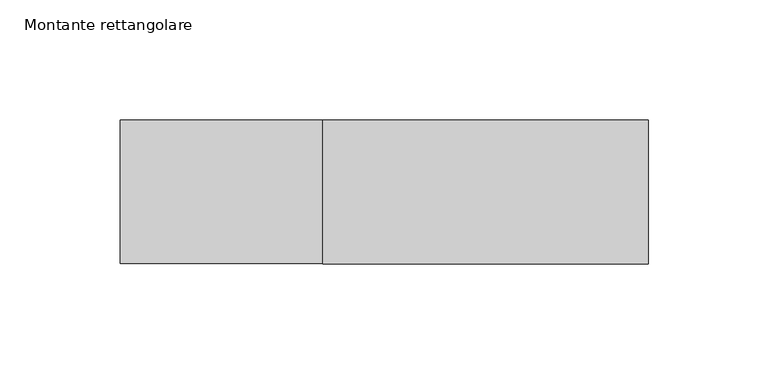
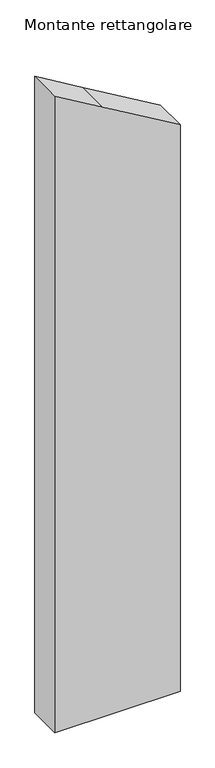
"""IFC4 building model written with IfcOpenShell, lengths in millimetres: member geometry, Montante rettangolare."""

import ifcopenshell
import ifcopenshell.guid

model = None  # the IFC model being written
_history = None  # IfcOwnerHistory: only IFC2X3 demands one
_inside = {}  # id of a spatial element -> (the spatial element, [elements in it])
_under = {}  # id of a project, library or spatial element -> (it, [spatial elements below it])
_declared = {}  # id of a project -> (the project, [libraries it declares])
_typed = {}  # id of a type object -> (the type object, [elements of that type])
_made_of = {}  # id of a material, layer set ... -> (it, [elements and type objects made of it])


def new_model(schema):
    """Start an empty IFC model of exactly this schema.

    Asked for "IFC4X3", IfcOpenShell would pick the latest addendum, in which some entities
    have other attributes; the version numbers below select the first issue.
    IFC2X3 requires an IfcOwnerHistory on every rooted entity: one is made here for all.
    """
    global model, _history
    if schema == "IFC4X3":
        model = ifcopenshell.file(schema_version=(4, 3, 0, 0))
    else:
        model = ifcopenshell.file(schema=schema)
    _inside.clear()
    _under.clear()
    _declared.clear()
    _typed.clear()
    _made_of.clear()
    _history = None
    if model.schema == "IFC2X3":
        org = make("IfcOrganization", Name="unknown")
        user = make(
            "IfcPersonAndOrganization",
            ThePerson=make("IfcPerson", FamilyName="unknown"),
            TheOrganization=org,
        )
        app = make(
            "IfcApplication",
            ApplicationDeveloper=org,
            Version="unknown",
            ApplicationFullName="unknown",
            ApplicationIdentifier="unknown",
        )
        _history = make(
            "IfcOwnerHistory",
            OwningUser=user,
            OwningApplication=app,
            ChangeAction="ADDED",
            CreationDate=0,
        )
    return model


def make(cls, **values):
    """One entity of the class cls with the attributes given. An attribute that is None is left unset."""
    return model.create_entity(
        cls, **{name: value for name, value in values.items() if value is not None}
    )


def rooted(cls, **values):
    """An entity with a GlobalId (a new one), such as an element, a storey or a relation."""
    return make(cls, GlobalId=ifcopenshell.guid.new(), OwnerHistory=_history, **values)


def si_unit(unit_type, name, prefix=None):
    """IfcSIUnit, for example si_unit("LENGTHUNIT", "METRE", prefix="MILLI")."""
    return make("IfcSIUnit", UnitType=unit_type, Prefix=prefix, Name=name)


def assignment(units):
    """IfcUnitAssignment: the units of a project."""
    return None if units is None else make("IfcUnitAssignment", Units=units)


def point(xyz):
    """IfcCartesianPoint."""
    return None if xyz is None else make("IfcCartesianPoint", Coordinates=xyz)


def direction(xyz):
    """IfcDirection."""
    return None if xyz is None else make("IfcDirection", DirectionRatios=xyz)


def frame(location, z_axis=None, x_axis=None):
    """IfcAxis2Placement3D, a coordinate frame: its origin and axes. An axis left out is left unset."""
    return make(
        "IfcAxis2Placement3D",
        Location=point(location),
        Axis=direction(z_axis),
        RefDirection=direction(x_axis),
    )


def origin():
    """The frame at (0, 0, 0) with its axes left unset."""
    return frame((0.0, 0.0, 0.0))


def place(relative_to, where):
    """IfcLocalPlacement: puts the frame where relative to a parent placement (None: the world)."""
    return make(
        "IfcLocalPlacement", PlacementRelTo=relative_to, RelativePlacement=where
    )


def context(
    kind, dimensions, precision=None, world=None, true_north=None, identifier=None
):
    """IfcGeometricRepresentationContext, for example the 3D "Model" context."""
    return make(
        "IfcGeometricRepresentationContext",
        ContextIdentifier=identifier,
        ContextType=kind,
        CoordinateSpaceDimension=dimensions,
        Precision=precision,
        WorldCoordinateSystem=world,
        TrueNorth=true_north,
    )


def project(units=None, contexts=None):
    """IfcProject with its units and contexts."""
    return rooted(
        "IfcProject",
        Name="project",
        RepresentationContexts=contexts,
        UnitsInContext=assignment(units),
    )


def spatial(cls, under=None, at=None, **own):
    """A site, building, storey or space (cls), placed at a placement, below another one or the project."""
    s = rooted(cls, ObjectPlacement=at, **own)
    if under is not None:
        _under.setdefault(under.id(), (under, []))[1].append(s)
    return s


def polyline(points):
    """IfcPolyline through the points."""
    return make("IfcPolyline", Points=[point(p) for p in points])


def outline(outer, holes=None, kind="AREA"):
    """IfcArbitraryClosedProfileDef: a profile drawn as a closed curve; with holes, ...WithVoids."""
    if holes is None:
        return make("IfcArbitraryClosedProfileDef", ProfileType=kind, OuterCurve=outer)
    return make(
        "IfcArbitraryProfileDefWithVoids",
        ProfileType=kind,
        OuterCurve=outer,
        InnerCurves=holes,
    )


def extrude(swept, where, along, depth):
    """IfcExtrudedAreaSolid: the profile swept, set in the frame where, extruded along a direction by depth."""
    return make(
        "IfcExtrudedAreaSolid",
        SweptArea=swept,
        Position=where,
        ExtrudedDirection=direction(along),
        Depth=depth,
    )


def shape(context_of_items, identifier, shape_type, items):
    """IfcShapeRepresentation: the items that make up one representation, for example the "Body"."""
    return make(
        "IfcShapeRepresentation",
        ContextOfItems=context_of_items,
        RepresentationIdentifier=identifier,
        RepresentationType=shape_type,
        Items=items,
    )


def source(mapping_origin, context_of_items, identifier, shape_type, items):
    """IfcRepresentationMap: a shape defined once, which mapped items show again and again."""
    return make(
        "IfcRepresentationMap",
        MappingOrigin=mapping_origin,
        MappedRepresentation=shape(context_of_items, identifier, shape_type, items),
    )


def transform(
    local_origin,
    x_axis=None,
    y_axis=None,
    z_axis=None,
    scale=None,
    scale2=None,
    scale3=None,
    uniform=True,
):
    """IfcCartesianTransformationOperator3D, or its non-uniform kind. x_axis, y_axis, z_axis: its Axis1, 2, 3."""
    if uniform:
        return make(
            "IfcCartesianTransformationOperator3D",
            Axis1=direction(x_axis),
            Axis2=direction(y_axis),
            LocalOrigin=point(local_origin),
            Scale=scale,
            Axis3=direction(z_axis),
        )
    return make(
        "IfcCartesianTransformationOperator3DnonUniform",
        Axis1=direction(x_axis),
        Axis2=direction(y_axis),
        LocalOrigin=point(local_origin),
        Scale=scale,
        Axis3=direction(z_axis),
        Scale2=scale2,
        Scale3=scale3,
    )


def mapped(mapping_source, mapping_target):
    """IfcMappedItem: shows the shape of a source again, moved by a transform."""
    return make(
        "IfcMappedItem", MappingSource=mapping_source, MappingTarget=mapping_target
    )


def made_of(thing, what):
    """Note that an element or type object is made of a material, layer set ...; save() writes the relation."""
    if what is not None:
        _made_of.setdefault(what.id(), (what, []))[1].append(thing)
    return thing


def element(
    cls,
    number,
    at=None,
    inside=None,
    cuts=None,
    type_object=None,
    material=None,
    context=None,
    identifier="Body",
    shape_type=None,
    held_by="IfcProductDefinitionShape",
    body=None,
    shapes=None,
    **own,
):
    """One element of the class cls, such as IfcWall. Its Tag is "e" and its number.

    at: its placement. inside: the storey or other place that contains it. cuts: it is an
    opening in that element (IfcRelVoidsElement). A single representation is given by context,
    identifier, shape_type and body (its items); several are given by shapes. held_by: the class
    of the entity that holds the representations. save() writes the other relations.
    """
    e = rooted(cls, Tag="e%d" % number, ObjectPlacement=at, **own)
    if body is not None:
        shapes = [shape(context, identifier, shape_type, body)]
    if shapes is not None:
        e.Representation = make(held_by, Representations=shapes)
    if inside is not None:
        _inside.setdefault(inside.id(), (inside, []))[1].append(e)
    if cuts is not None:
        rooted(
            "IfcRelVoidsElement", RelatingBuildingElement=cuts, RelatedOpeningElement=e
        )
    if type_object is not None:
        _typed.setdefault(type_object.id(), (type_object, []))[1].append(e)
    return made_of(e, material)


def aggregate(whole, parts):
    """IfcRelAggregates: a whole, such as a stair, and the parts it consists of."""
    return rooted("IfcRelAggregates", RelatingObject=whole, RelatedObjects=parts)


def save(model, path):
    """Write the relations noted so far, then the file.

    IfcRelAggregates (storeys below a building ...), IfcRelContainedInSpatialStructure (elements
    in a storey), IfcRelDefinesByType, IfcRelAssociatesMaterial and IfcRelDeclares: one each for
    every whole, place, type object, material and project.
    """
    for whole, parts in _under.values():
        aggregate(whole, parts)
    for where, things in _inside.values():
        rooted(
            "IfcRelContainedInSpatialStructure",
            RelatedElements=things,
            RelatingStructure=where,
        )
    for kind, things in _typed.values():
        rooted("IfcRelDefinesByType", RelatedObjects=things, RelatingType=kind)
    for what, things in _made_of.values():
        rooted("IfcRelAssociatesMaterial", RelatedObjects=things, RelatingMaterial=what)
    for by, libraries in _declared.values():
        rooted("IfcRelDeclares", RelatingContext=by, RelatedDefinitions=libraries)
    model.write(path)


def montante_rettangolare_db941fe8(model_context):
    return source(origin(), model_context, "Body", "SweptSolid", [
        extrude(outline(polyline([(-73.4627441, 110.0), (7.0073864, -25.5271459), (57.1636968, -110.0), (-1124.6203777, -110.0), (-1124.6203777, 110.0), (-73.4627441, 110.0)])), frame((0.0, -30.0, 0.0), z_axis=(0.0, 1.0, 0.0), x_axis=(0.0, 0.0, 1.0)), (0.0, 0.0, 1.0), 60.0),
    ])


if __name__ == "__main__":
    model = new_model("IFC4")
    model_context = context("Model", 3, world=origin())
    ifc_project = project(units=[si_unit("LENGTHUNIT", "METRE", prefix="MILLI")], contexts=[model_context])
    site = spatial("IfcSite", under=ifc_project)
    building = spatial("IfcBuilding", under=site)
    placement = place(None, origin())
    montante_rettangolare_shape = montante_rettangolare_db941fe8(model_context)
    element("IfcMember", 1, ObjectType="Montante rettangolare", at=placement, inside=building, context=model_context, shape_type="MappedRepresentation", body=[
        mapped(montante_rettangolare_shape, transform((0.0, 0.0, 0.0), x_axis=(1.0, 0.0, 0.0), y_axis=(0.0, 1.0, 0.0), z_axis=(0.0, 0.0, 1.0))),
    ])
    save(model, "model.ifc")
